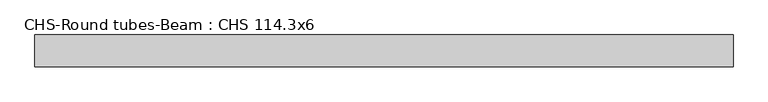
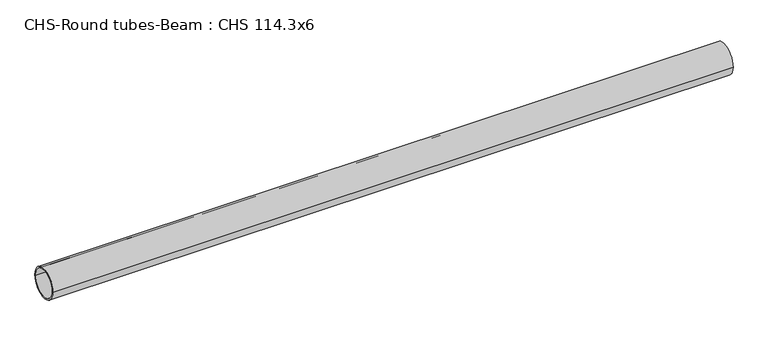
"""IFC4 building model written with IfcOpenShell, lengths in millimetres: beam geometry, CHS-Round tubes-Beam : CHS 114.3x6."""

from ifc_helpers import new_model, si_unit, point, frame, origin, origin_2d, place, context, project, spatial, circle_curve, trimmed, segment, composite_curve, outline, extrude, source, transform, mapped, element, save


def chs_round_tubes_beam_chs_114_3x6_e6a3961c(model_context):
    return source(origin(), model_context, "Body", "SweptSolid", [
        extrude(outline(composite_curve([segment(trimmed(circle_curve(origin_2d(), 57.15), [point((57.15, 0.0))], [point((-57.15, 0.0))], False, "CARTESIAN"), True, "CONTINUOUS"), segment(trimmed(circle_curve(origin_2d(), 57.15), [point((-57.15, 0.0))], [point((57.15, 0.0))], False, "CARTESIAN"), True, "CONTINUOUS")], self_intersect=False), holes=[composite_curve([segment(trimmed(circle_curve(origin_2d(), 51.15), [point((51.15, 0.0))], [point((-51.15, 0.0))], True, "CARTESIAN"), True, "CONTINUOUS"), segment(trimmed(circle_curve(origin_2d(), 51.15), [point((-51.15, 0.0))], [point((51.15, 0.0))], True, "CARTESIAN"), True, "CONTINUOUS")], self_intersect=False)]), frame((-1243.967787, 0.0, 0.0), z_axis=(1.0, 0.0, 0.0), x_axis=(0.0, 1.0, 0.0)), (0.0, 0.0, 1.0), 2518.8539327),
    ])


if __name__ == "__main__":
    model = new_model("IFC4")
    model_context = context("Model", 3, world=origin())
    ifc_project = project(units=[si_unit("LENGTHUNIT", "METRE", prefix="MILLI")], contexts=[model_context])
    site = spatial("IfcSite", under=ifc_project)
    building = spatial("IfcBuilding", under=site)
    placement = place(None, origin())
    chs_round_tubes_beam_chs_114_3x6_shape = chs_round_tubes_beam_chs_114_3x6_e6a3961c(model_context)
    element("IfcBeam", 1, ObjectType="CHS-Round tubes-Beam : CHS 114.3x6", at=placement, inside=building, context=model_context, shape_type="MappedRepresentation", body=[
        mapped(chs_round_tubes_beam_chs_114_3x6_shape, transform((0.0, 0.0, 0.0), x_axis=(1.0, 0.0, 0.0), y_axis=(0.0, 1.0, 0.0), z_axis=(0.0, 0.0, 1.0))),
    ])
    save(model, "model.ifc")
